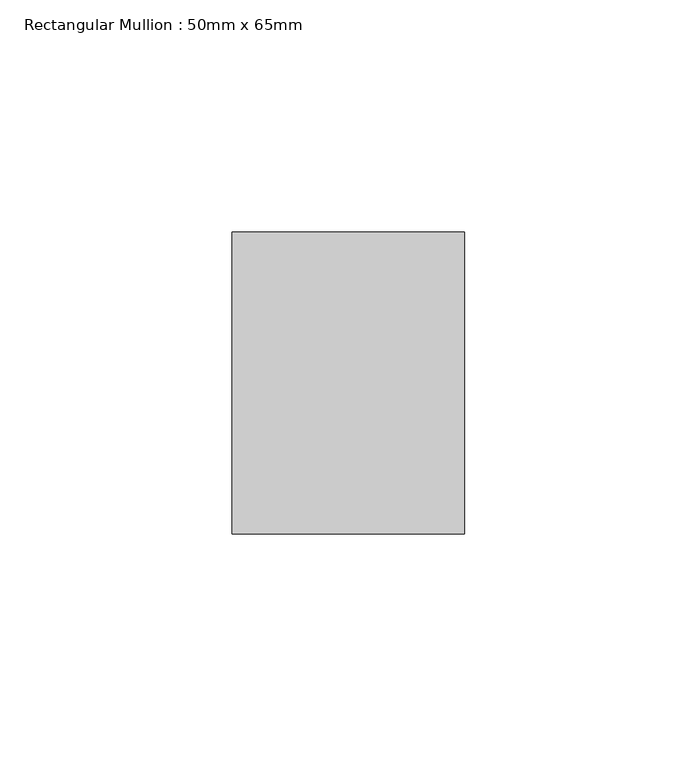
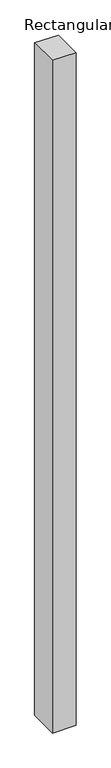
"""IFC4 building model written with IfcOpenShell, lengths in millimetres: member geometry, Rectangular Mullion : 50mm x 65mm."""

from ifc_helpers import new_model, si_unit, origin, place, context, project, spatial, faceted_brep, source, transform, mapped, element, save


def rectangular_mullion_50mm_x_65mm_379b279e(model_context):
    return source(origin(), model_context, "Body", "Brep", [
        faceted_brep([(-25.0, 32.5, -0.2664472), (25.0, 32.5, -0.2664475), (25.0, 32.5, -1499.6464435), (-25.0, 32.5, -1499.6464438), (-25.0, -32.5, 0.2664475), (-25.0, -32.5, -1500.3537838), (25.0, -32.5, 0.2664472), (25.0, -32.5, -1500.3537834)], [[[0, 1, 2, 3]], [[4, 0, 3, 5]], [[6, 4, 5, 7]], [[1, 6, 7, 2]], [[1, 0, 4, 6]], [[2, 7, 5, 3]]]),
    ])


if __name__ == "__main__":
    model = new_model("IFC4")
    model_context = context("Model", 3, world=origin())
    ifc_project = project(units=[si_unit("LENGTHUNIT", "METRE", prefix="MILLI")], contexts=[model_context])
    site = spatial("IfcSite", under=ifc_project)
    building = spatial("IfcBuilding", under=site)
    placement = place(None, origin())
    rectangular_mullion_50mm_x_65mm_shape = rectangular_mullion_50mm_x_65mm_379b279e(model_context)
    element("IfcMember", 1, ObjectType="Rectangular Mullion : 50mm x 65mm", at=placement, inside=building, context=model_context, shape_type="MappedRepresentation", body=[
        mapped(rectangular_mullion_50mm_x_65mm_shape, transform((0.0, 0.0, 0.0), x_axis=(1.0, 0.0, 0.0), y_axis=(0.0, 1.0, 0.0), z_axis=(0.0, 0.0, 1.0))),
    ])
    save(model, "model.ifc")
